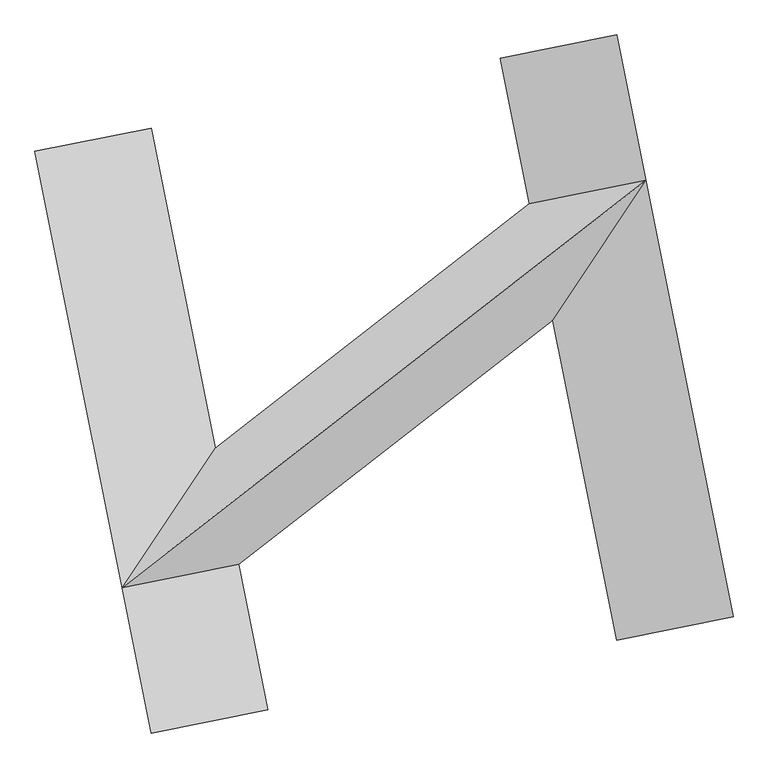
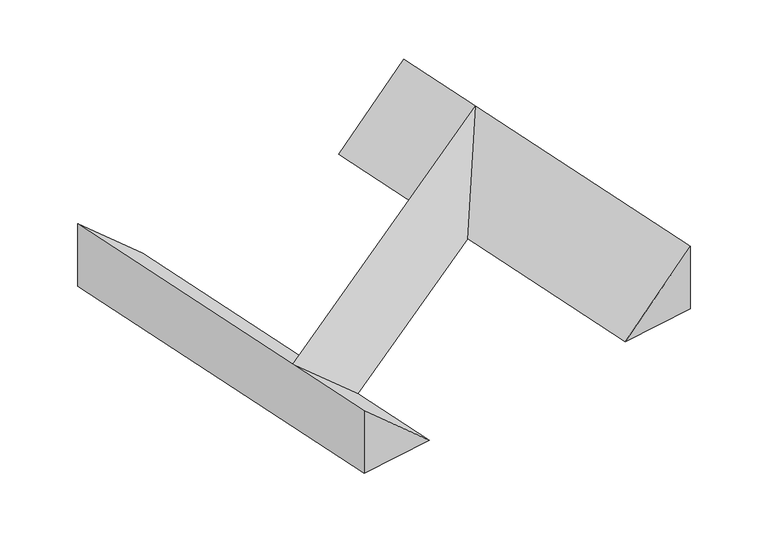
"""IFC4 building model written with IfcOpenShell, lengths in millimetres: proxy geometry."""

from ifc_helpers import new_model, si_unit, frame, origin, place, context, project, spatial, polyline, outline, extrude, faceted_brep, source, transform, mapped, element, save


def generic_models_c88dd591(model_context):
    return source(origin(), model_context, "Body", "SolidModel", [
        faceted_brep([(-1137.4735838, -431.4554973, 0.0), (-1765.0452162, -1372.812946, 700.0), (1765.0452162, 1372.812946, 700.0), (980.5806757, 1215.9200379, 0.0), (-980.5806757, -1215.9200379, 0.0), (1137.4735838, 431.4554973, 0.0)], [[[0, 1, 2, 3]], [[1, 4, 5, 2]], [[4, 0, 3, 5]], [[3, 2, 5]], [[0, 4, 1]]]),
        extrude(outline(polyline([(-233.3333333, 266.6666667), (466.6666667, 266.6666667), (-233.3333333, -533.3333334), (-233.3333333, 266.6666667)])), frame((2091.9054415, -1621.2267171, 233.3333333), z_axis=(-0.1961161351381841, 0.9805806756909201, 0.0), x_axis=(0.0, 0.0, 1.0)), (0.0, 0.0, 1.0), 4000.0),
        extrude(outline(polyline([(-466.6666667, 266.6666667), (233.3333333, 266.6666667), (233.3333333, -533.3333333), (-466.6666667, 266.6666667)])), frame((-1307.4409009, -2301.0959856, 233.3333333), z_axis=(-0.1961161351381843, 0.9805806756909201, 0.0), x_axis=(0.0, 0.0, -1.0)), (0.0, 0.0, 1.0), 4000.0),
    ])


if __name__ == "__main__":
    model = new_model("IFC4")
    model_context = context("Model", 3, world=origin())
    ifc_project = project(units=[si_unit("LENGTHUNIT", "METRE", prefix="MILLI")], contexts=[model_context])
    site = spatial("IfcSite", under=ifc_project)
    building = spatial("IfcBuilding", under=site)
    placement = place(None, origin())
    generic_models_shape = generic_models_c88dd591(model_context)
    element("IfcBuildingElementProxy", 1, Name="Generic Models", at=placement, inside=building, context=model_context, shape_type="MappedRepresentation", body=[
        mapped(generic_models_shape, transform((0.0, 0.0, 0.0), x_axis=(1.0, 0.0, 0.0), y_axis=(0.0, 1.0, 0.0), z_axis=(0.0, 0.0, 1.0))),
    ])
    save(model, "model.ifc")
